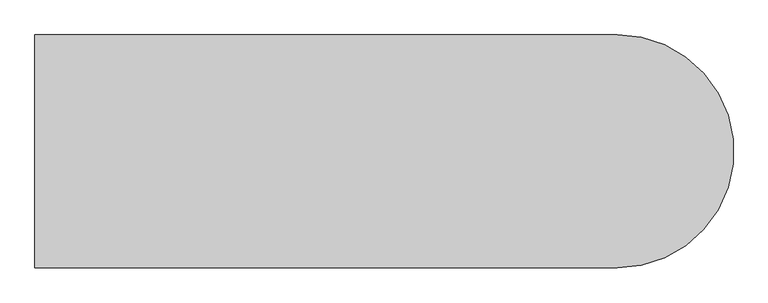
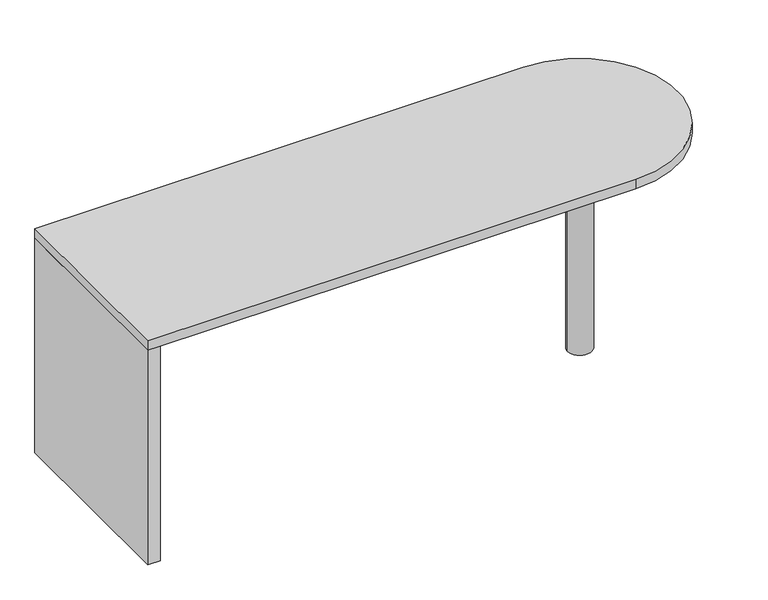
"""IFC4 building model written with IfcOpenShell, lengths in millimetres: furniture geometry."""

from ifc_helpers import new_model, si_unit, point, frame, frame_2d, origin, origin_with_axes, place, context, project, spatial, polyline, circle_curve, trimmed, segment, composite_curve, outline, extrude, source, transform, mapped, element, save


def furniture_23781809(model_context):
    return source(origin(), model_context, "Body", "SweptSolid", [
        extrude(outline(composite_curve([segment(trimmed(circle_curve(frame_2d((1347.7875, -558.8)), 38.1), [point((1309.6875, -558.8))], [point((1385.8875, -558.8))], False, "CARTESIAN"), True, "CONTINUOUS"), segment(trimmed(circle_curve(frame_2d((1347.7875, -558.8)), 38.1), [point((1385.8875, -558.8))], [point((1309.6875, -558.8))], False, "CARTESIAN"), True, "CONTINUOUS")], self_intersect=False)), origin_with_axes(), (0.0, 0.0, 1.0), 708.025),
        extrude(outline(polyline([(-176.2125, -863.6), (-176.2125, -254.0), (-137.31875, -254.0), (-137.31875, -863.6), (-176.2125, -863.6)])), origin_with_axes(), (0.0, 0.0, 1.0), 708.025),
        extrude(outline(composite_curve([segment(polyline([(-176.2125, -254.0), (1347.7875, -254.0)]), True, "CONTINUOUS"), segment(trimmed(circle_curve(frame_2d((1347.7875, -558.8)), 304.8), [point((1347.7875, -254.0))], [point((1347.7875, -863.6))], False, "CARTESIAN"), True, "CONTINUOUS"), segment(polyline([(1347.7875, -863.6), (-176.2125, -863.6), (-176.2125, -254.0)]), True, "CONTINUOUS")], self_intersect=False)), frame((0.0, 0.0, 708.025), z_axis=(0.0, 0.0, 1.0), x_axis=(1.0, 0.0, 0.0)), (0.0, 0.0, 1.0), 31.75),
    ])


if __name__ == "__main__":
    model = new_model("IFC4")
    model_context = context("Model", 3, world=origin())
    ifc_project = project(units=[si_unit("LENGTHUNIT", "METRE", prefix="MILLI")], contexts=[model_context])
    site = spatial("IfcSite", under=ifc_project)
    building = spatial("IfcBuilding", under=site)
    placement = place(None, origin())
    furniture_shape = furniture_23781809(model_context)
    element("IfcFurniture", 1, at=placement, inside=building, context=model_context, shape_type="MappedRepresentation", body=[
        mapped(furniture_shape, transform((0.0, 0.0, 0.0), x_axis=(1.0, 0.0, 0.0), y_axis=(0.0, 1.0, 0.0), z_axis=(0.0, 0.0, 1.0))),
    ])
    save(model, "model.ifc")
